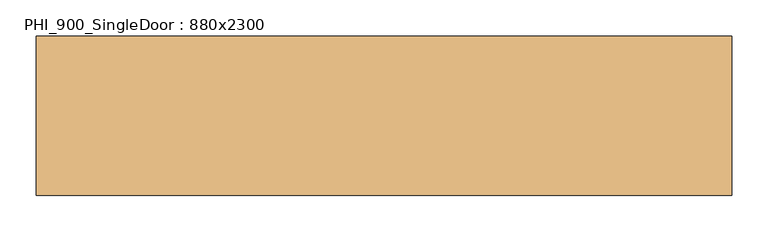
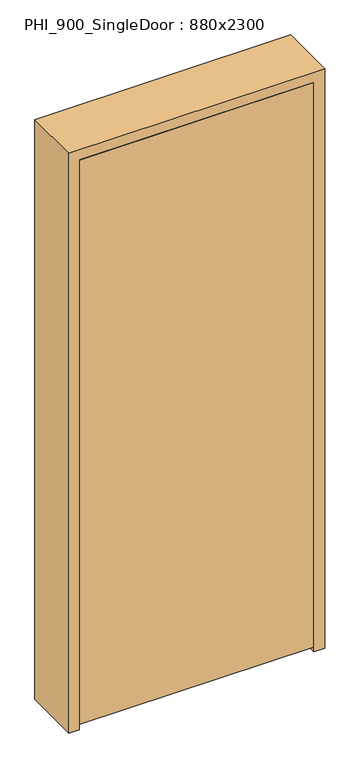
"""IFC4 building model written with IfcOpenShell, lengths in millimetres: door geometry, PHI_900_SingleDoor : 880x2300."""

import ifcopenshell
import ifcopenshell.guid

model = None  # the IFC model being written
_history = None  # IfcOwnerHistory: only IFC2X3 demands one
_inside = {}  # id of a spatial element -> (the spatial element, [elements in it])
_under = {}  # id of a project, library or spatial element -> (it, [spatial elements below it])
_declared = {}  # id of a project -> (the project, [libraries it declares])
_typed = {}  # id of a type object -> (the type object, [elements of that type])
_made_of = {}  # id of a material, layer set ... -> (it, [elements and type objects made of it])


def new_model(schema):
    """Start an empty IFC model of exactly this schema.

    Asked for "IFC4X3", IfcOpenShell would pick the latest addendum, in which some entities
    have other attributes; the version numbers below select the first issue.
    IFC2X3 requires an IfcOwnerHistory on every rooted entity: one is made here for all.
    """
    global model, _history
    if schema == "IFC4X3":
        model = ifcopenshell.file(schema_version=(4, 3, 0, 0))
    else:
        model = ifcopenshell.file(schema=schema)
    _inside.clear()
    _under.clear()
    _declared.clear()
    _typed.clear()
    _made_of.clear()
    _history = None
    if model.schema == "IFC2X3":
        org = make("IfcOrganization", Name="unknown")
        user = make(
            "IfcPersonAndOrganization",
            ThePerson=make("IfcPerson", FamilyName="unknown"),
            TheOrganization=org,
        )
        app = make(
            "IfcApplication",
            ApplicationDeveloper=org,
            Version="unknown",
            ApplicationFullName="unknown",
            ApplicationIdentifier="unknown",
        )
        _history = make(
            "IfcOwnerHistory",
            OwningUser=user,
            OwningApplication=app,
            ChangeAction="ADDED",
            CreationDate=0,
        )
    return model


def make(cls, **values):
    """One entity of the class cls with the attributes given. An attribute that is None is left unset."""
    return model.create_entity(
        cls, **{name: value for name, value in values.items() if value is not None}
    )


def rooted(cls, **values):
    """An entity with a GlobalId (a new one), such as an element, a storey or a relation."""
    return make(cls, GlobalId=ifcopenshell.guid.new(), OwnerHistory=_history, **values)


def si_unit(unit_type, name, prefix=None):
    """IfcSIUnit, for example si_unit("LENGTHUNIT", "METRE", prefix="MILLI")."""
    return make("IfcSIUnit", UnitType=unit_type, Prefix=prefix, Name=name)


def assignment(units):
    """IfcUnitAssignment: the units of a project."""
    return None if units is None else make("IfcUnitAssignment", Units=units)


def point(xyz):
    """IfcCartesianPoint."""
    return None if xyz is None else make("IfcCartesianPoint", Coordinates=xyz)


def direction(xyz):
    """IfcDirection."""
    return None if xyz is None else make("IfcDirection", DirectionRatios=xyz)


def frame(location, z_axis=None, x_axis=None):
    """IfcAxis2Placement3D, a coordinate frame: its origin and axes. An axis left out is left unset."""
    return make(
        "IfcAxis2Placement3D",
        Location=point(location),
        Axis=direction(z_axis),
        RefDirection=direction(x_axis),
    )


def origin():
    """The frame at (0, 0, 0) with its axes left unset."""
    return frame((0.0, 0.0, 0.0))


def place(relative_to, where):
    """IfcLocalPlacement: puts the frame where relative to a parent placement (None: the world)."""
    return make(
        "IfcLocalPlacement", PlacementRelTo=relative_to, RelativePlacement=where
    )


def context(
    kind, dimensions, precision=None, world=None, true_north=None, identifier=None
):
    """IfcGeometricRepresentationContext, for example the 3D "Model" context."""
    return make(
        "IfcGeometricRepresentationContext",
        ContextIdentifier=identifier,
        ContextType=kind,
        CoordinateSpaceDimension=dimensions,
        Precision=precision,
        WorldCoordinateSystem=world,
        TrueNorth=true_north,
    )


def project(units=None, contexts=None):
    """IfcProject with its units and contexts."""
    return rooted(
        "IfcProject",
        Name="project",
        RepresentationContexts=contexts,
        UnitsInContext=assignment(units),
    )


def spatial(cls, under=None, at=None, **own):
    """A site, building, storey or space (cls), placed at a placement, below another one or the project."""
    s = rooted(cls, ObjectPlacement=at, **own)
    if under is not None:
        _under.setdefault(under.id(), (under, []))[1].append(s)
    return s


def polyline(points):
    """IfcPolyline through the points."""
    return make("IfcPolyline", Points=[point(p) for p in points])


def outline(outer, holes=None, kind="AREA"):
    """IfcArbitraryClosedProfileDef: a profile drawn as a closed curve; with holes, ...WithVoids."""
    if holes is None:
        return make("IfcArbitraryClosedProfileDef", ProfileType=kind, OuterCurve=outer)
    return make(
        "IfcArbitraryProfileDefWithVoids",
        ProfileType=kind,
        OuterCurve=outer,
        InnerCurves=holes,
    )


def extrude(swept, where, along, depth):
    """IfcExtrudedAreaSolid: the profile swept, set in the frame where, extruded along a direction by depth."""
    return make(
        "IfcExtrudedAreaSolid",
        SweptArea=swept,
        Position=where,
        ExtrudedDirection=direction(along),
        Depth=depth,
    )


def shape(context_of_items, identifier, shape_type, items):
    """IfcShapeRepresentation: the items that make up one representation, for example the "Body"."""
    return make(
        "IfcShapeRepresentation",
        ContextOfItems=context_of_items,
        RepresentationIdentifier=identifier,
        RepresentationType=shape_type,
        Items=items,
    )


def source(mapping_origin, context_of_items, identifier, shape_type, items):
    """IfcRepresentationMap: a shape defined once, which mapped items show again and again."""
    return make(
        "IfcRepresentationMap",
        MappingOrigin=mapping_origin,
        MappedRepresentation=shape(context_of_items, identifier, shape_type, items),
    )


def transform(
    local_origin,
    x_axis=None,
    y_axis=None,
    z_axis=None,
    scale=None,
    scale2=None,
    scale3=None,
    uniform=True,
):
    """IfcCartesianTransformationOperator3D, or its non-uniform kind. x_axis, y_axis, z_axis: its Axis1, 2, 3."""
    if uniform:
        return make(
            "IfcCartesianTransformationOperator3D",
            Axis1=direction(x_axis),
            Axis2=direction(y_axis),
            LocalOrigin=point(local_origin),
            Scale=scale,
            Axis3=direction(z_axis),
        )
    return make(
        "IfcCartesianTransformationOperator3DnonUniform",
        Axis1=direction(x_axis),
        Axis2=direction(y_axis),
        LocalOrigin=point(local_origin),
        Scale=scale,
        Axis3=direction(z_axis),
        Scale2=scale2,
        Scale3=scale3,
    )


def mapped(mapping_source, mapping_target):
    """IfcMappedItem: shows the shape of a source again, moved by a transform."""
    return make(
        "IfcMappedItem", MappingSource=mapping_source, MappingTarget=mapping_target
    )


def made_of(thing, what):
    """Note that an element or type object is made of a material, layer set ...; save() writes the relation."""
    if what is not None:
        _made_of.setdefault(what.id(), (what, []))[1].append(thing)
    return thing


def element(
    cls,
    number,
    at=None,
    inside=None,
    cuts=None,
    type_object=None,
    material=None,
    context=None,
    identifier="Body",
    shape_type=None,
    held_by="IfcProductDefinitionShape",
    body=None,
    shapes=None,
    **own,
):
    """One element of the class cls, such as IfcWall. Its Tag is "e" and its number.

    at: its placement. inside: the storey or other place that contains it. cuts: it is an
    opening in that element (IfcRelVoidsElement). A single representation is given by context,
    identifier, shape_type and body (its items); several are given by shapes. held_by: the class
    of the entity that holds the representations. save() writes the other relations.
    """
    e = rooted(cls, Tag="e%d" % number, ObjectPlacement=at, **own)
    if body is not None:
        shapes = [shape(context, identifier, shape_type, body)]
    if shapes is not None:
        e.Representation = make(held_by, Representations=shapes)
    if inside is not None:
        _inside.setdefault(inside.id(), (inside, []))[1].append(e)
    if cuts is not None:
        rooted(
            "IfcRelVoidsElement", RelatingBuildingElement=cuts, RelatedOpeningElement=e
        )
    if type_object is not None:
        _typed.setdefault(type_object.id(), (type_object, []))[1].append(e)
    return made_of(e, material)


def aggregate(whole, parts):
    """IfcRelAggregates: a whole, such as a stair, and the parts it consists of."""
    return rooted("IfcRelAggregates", RelatingObject=whole, RelatedObjects=parts)


def save(model, path):
    """Write the relations noted so far, then the file.

    IfcRelAggregates (storeys below a building ...), IfcRelContainedInSpatialStructure (elements
    in a storey), IfcRelDefinesByType, IfcRelAssociatesMaterial and IfcRelDeclares: one each for
    every whole, place, type object, material and project.
    """
    for whole, parts in _under.values():
        aggregate(whole, parts)
    for where, things in _inside.values():
        rooted(
            "IfcRelContainedInSpatialStructure",
            RelatedElements=things,
            RelatingStructure=where,
        )
    for kind, things in _typed.values():
        rooted("IfcRelDefinesByType", RelatedObjects=things, RelatingType=kind)
    for what, things in _made_of.values():
        rooted("IfcRelAssociatesMaterial", RelatedObjects=things, RelatingMaterial=what)
    for by, libraries in _declared.values():
        rooted("IfcRelDeclares", RelatingContext=by, RelatedDefinitions=libraries)
    model.write(path)


def phi_900_singledoor_880x2300_d7f574fc(model_context):
    return source(origin(), model_context, "Body", "SweptSolid", [
        extrude(outline(polyline([(438.0, -110.0), (-438.0, -110.0), (-438.0, -60.0), (438.0, -60.0), (438.0, -110.0)])), frame((0.0, 0.0, 20.0), z_axis=(0.0, 0.0, 1.0), x_axis=(1.0, 0.0, 0.0)), (0.0, 0.0, 1.0), 2238.0),
        extrude(outline(polyline([(2300.0, -480.0), (0.0, -480.0), (0.0, -440.0), (2260.0, -440.0), (2260.0, 440.0), (0.0, 440.0), (0.0, 480.0), (2300.0, 480.0), (2300.0, -480.0)])), frame((0.0, -110.0, 0.0), z_axis=(0.0, 1.0, 0.0), x_axis=(0.0, 0.0, 1.0)), (0.0, 0.0, 1.0), 220.0),
        extrude(outline(polyline([(2260.0, -440.0), (0.0, -440.0), (0.0, -420.0), (2240.0, -420.0), (2240.0, 420.0), (0.0, 420.0), (0.0, 440.0), (2260.0, 440.0), (2260.0, -440.0)])), frame((0.0, -60.0, 0.0), z_axis=(0.0, 1.0, 0.0), x_axis=(0.0, 0.0, 1.0)), (0.0, 0.0, 1.0), 60.0),
    ])


if __name__ == "__main__":
    model = new_model("IFC4")
    model_context = context("Model", 3, world=origin())
    ifc_project = project(units=[si_unit("LENGTHUNIT", "METRE", prefix="MILLI")], contexts=[model_context])
    site = spatial("IfcSite", under=ifc_project)
    building = spatial("IfcBuilding", under=site)
    placement = place(None, origin())
    phi_900_singledoor_880x2300_shape = phi_900_singledoor_880x2300_d7f574fc(model_context)
    element("IfcDoor", 1, ObjectType="PHI_900_SingleDoor : 880x2300", at=placement, inside=building, context=model_context, shape_type="MappedRepresentation", body=[
        mapped(phi_900_singledoor_880x2300_shape, transform((0.0, 0.0, 0.0), x_axis=(1.0, 0.0, 0.0), y_axis=(0.0, 1.0, 0.0), z_axis=(0.0, 0.0, 1.0))),
    ])
    save(model, "model.ifc")
